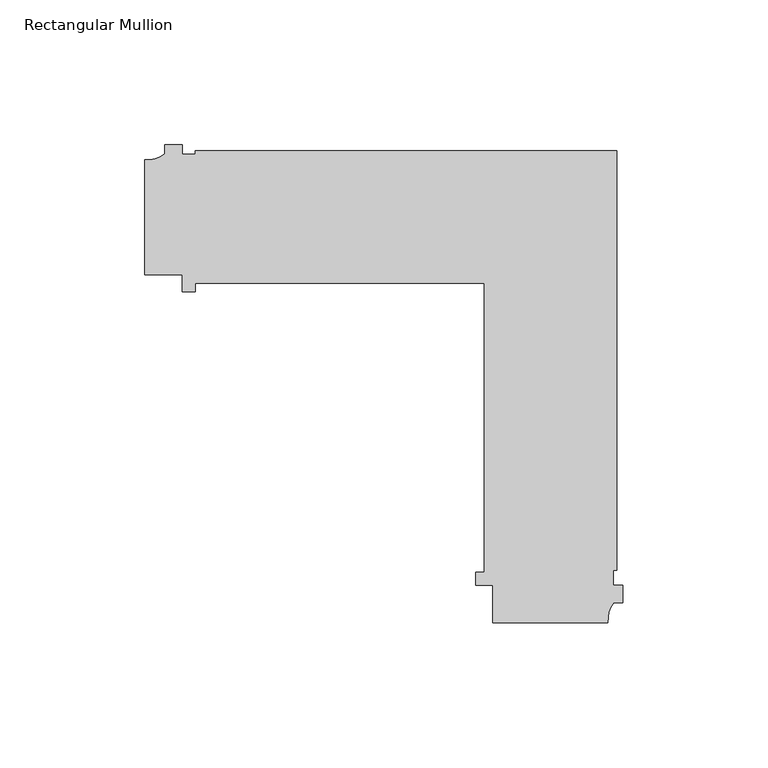
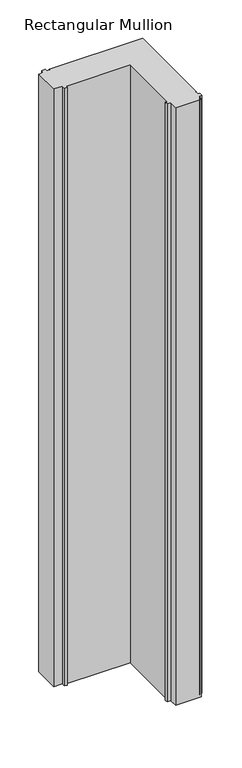
"""IFC4 building model written with IfcOpenShell, lengths in millimetres: member geometry, Rectangular Mullion."""

from ifc_helpers import new_model, si_unit, point, frame, frame_2d, origin, place, context, project, spatial, polyline, circle_curve, trimmed, segment, composite_curve, outline, extrude, source, transform, mapped, element, save


def rectangular_mullion_2b5c04ff(model_context):
    return source(origin(), model_context, "Body", "SweptSolid", [
        extrude(outline(composite_curve([segment(trimmed(circle_curve(frame_2d((-164.3097732, 25.7981787)), 10.4563907), [point((-165.1999104, 15.379745))], [point((-158.1999713, 17.3125187))], True, "CARTESIAN"), True, "CONTINUOUS"), segment(polyline([(-158.1999713, 17.3125187), (-158.1999713, 20.4999975), (-152.1999713, 20.4999975), (-152.1999713, 17.2147834), (-147.7306489, 17.2147834), (-147.7306489, 18.4147834), (-2.0852141, 18.4147834), (-2.0852141, -126.4999738), (-3.2852141, -126.4999738), (-3.2852141, -131.6999738), (0.0, -131.6999738), (0.0, -137.6999738), (-3.1874788, -137.6999738)]), True, "CONTINUOUS"), segment(trimmed(circle_curve(frame_2d((5.2981812, -143.8097757)), 10.4563907), [point((-3.1874788, -137.6999738))], [point((-5.1202525, -144.6999129))], True, "CARTESIAN"), True, "CONTINUOUS"), segment(polyline([(-5.1202525, -144.6999129), (-45.0, -144.6999129), (-45.0, -131.6999738), (-50.8, -131.6999738), (-50.8, -127.3000025), (-47.8, -127.3000025), (-47.8, -27.3000025), (-147.8, -27.3000025), (-147.8, -30.3000025), (-152.1999713, -30.3000025), (-152.1999713, -24.5000025), (-165.1999104, -24.5000025), (-165.1999104, 15.379745)]), True, "CONTINUOUS")], self_intersect=False)), frame((0.0, 0.0, -983.7033268), z_axis=(0.0, 0.0, 1.0), x_axis=(1.0, 0.0, 0.0)), (0.0, 0.0, 1.0), 983.7033268),
    ])


if __name__ == "__main__":
    model = new_model("IFC4")
    model_context = context("Model", 3, world=origin())
    ifc_project = project(units=[si_unit("LENGTHUNIT", "METRE", prefix="MILLI")], contexts=[model_context])
    site = spatial("IfcSite", under=ifc_project)
    building = spatial("IfcBuilding", under=site)
    placement = place(None, origin())
    rectangular_mullion_shape = rectangular_mullion_2b5c04ff(model_context)
    element("IfcMember", 1, ObjectType="Rectangular Mullion", at=placement, inside=building, context=model_context, shape_type="MappedRepresentation", body=[
        mapped(rectangular_mullion_shape, transform((0.0, 0.0, 0.0), x_axis=(1.0, 0.0, 0.0), y_axis=(0.0, 1.0, 0.0), z_axis=(0.0, 0.0, 1.0))),
    ])
    save(model, "model.ifc")
